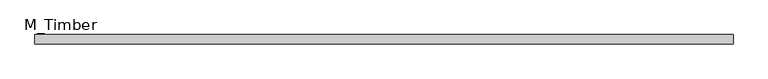
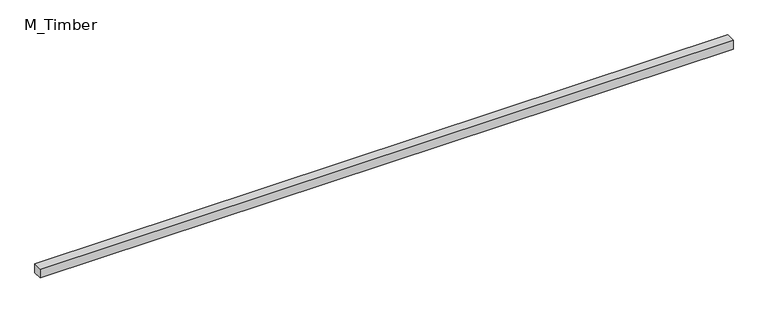
"""IFC4 building model written with IfcOpenShell, lengths in millimetres: beam geometry, M_Timber."""

from ifc_helpers import new_model, si_unit, frame, origin, place, context, project, spatial, polyline, outline, extrude, source, transform, mapped, element, save


def m_timber_af0abb48(model_context):
    return source(origin(), model_context, "Body", "SweptSolid", [
        extrude(outline(polyline([(1493.1917365, 20.0), (1493.1917365, -20.0), (-1493.1917365, -20.0), (-1493.1917365, 20.0), (1493.1917365, 20.0)])), frame((0.0, 0.0, -20.0), z_axis=(0.0, 0.0, 1.0), x_axis=(1.0, 0.0, 0.0)), (0.0, 0.0, 1.0), 40.0),
    ])


if __name__ == "__main__":
    model = new_model("IFC4")
    model_context = context("Model", 3, world=origin())
    ifc_project = project(units=[si_unit("LENGTHUNIT", "METRE", prefix="MILLI")], contexts=[model_context])
    site = spatial("IfcSite", under=ifc_project)
    building = spatial("IfcBuilding", under=site)
    placement = place(None, origin())
    m_timber_shape = m_timber_af0abb48(model_context)
    element("IfcBeam", 1, ObjectType="M_Timber", at=placement, inside=building, context=model_context, shape_type="MappedRepresentation", body=[
        mapped(m_timber_shape, transform((0.0, 0.0, 0.0), x_axis=(1.0, 0.0, 0.0), y_axis=(0.0, 1.0, 0.0), z_axis=(0.0, 0.0, 1.0))),
    ])
    save(model, "model.ifc")
